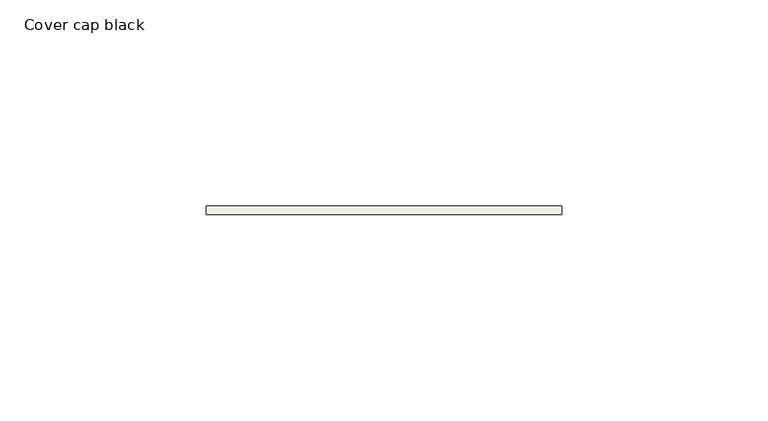
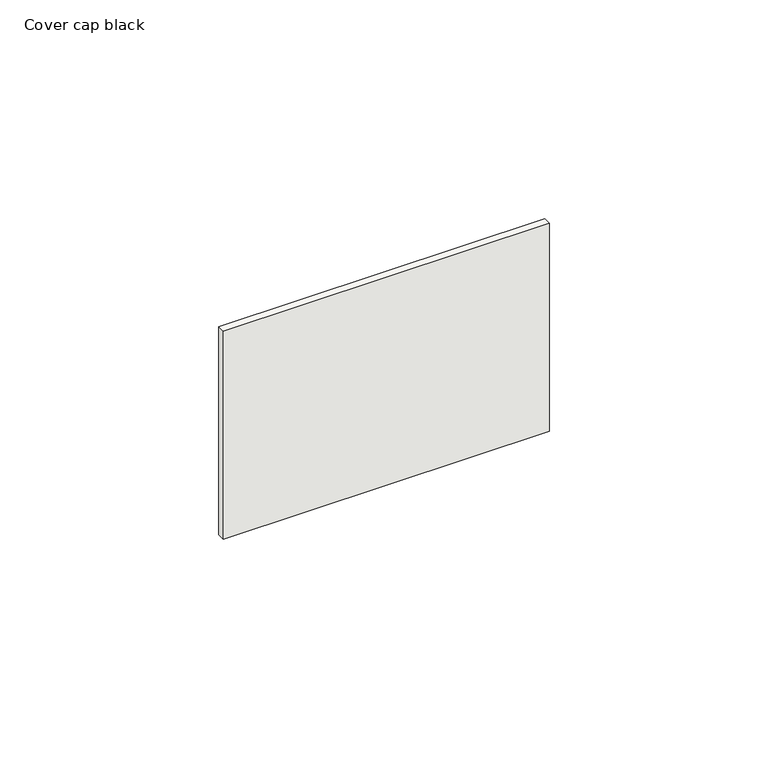
"""IFC4 building model written with IfcOpenShell, lengths in millimetres: covering geometry, Cover cap black."""

import ifcopenshell
import ifcopenshell.guid

model = None  # the IFC model being written
_history = None  # IfcOwnerHistory: only IFC2X3 demands one
_inside = {}  # id of a spatial element -> (the spatial element, [elements in it])
_under = {}  # id of a project, library or spatial element -> (it, [spatial elements below it])
_declared = {}  # id of a project -> (the project, [libraries it declares])
_typed = {}  # id of a type object -> (the type object, [elements of that type])
_made_of = {}  # id of a material, layer set ... -> (it, [elements and type objects made of it])


def new_model(schema):
    """Start an empty IFC model of exactly this schema.

    Asked for "IFC4X3", IfcOpenShell would pick the latest addendum, in which some entities
    have other attributes; the version numbers below select the first issue.
    IFC2X3 requires an IfcOwnerHistory on every rooted entity: one is made here for all.
    """
    global model, _history
    if schema == "IFC4X3":
        model = ifcopenshell.file(schema_version=(4, 3, 0, 0))
    else:
        model = ifcopenshell.file(schema=schema)
    _inside.clear()
    _under.clear()
    _declared.clear()
    _typed.clear()
    _made_of.clear()
    _history = None
    if model.schema == "IFC2X3":
        org = make("IfcOrganization", Name="unknown")
        user = make(
            "IfcPersonAndOrganization",
            ThePerson=make("IfcPerson", FamilyName="unknown"),
            TheOrganization=org,
        )
        app = make(
            "IfcApplication",
            ApplicationDeveloper=org,
            Version="unknown",
            ApplicationFullName="unknown",
            ApplicationIdentifier="unknown",
        )
        _history = make(
            "IfcOwnerHistory",
            OwningUser=user,
            OwningApplication=app,
            ChangeAction="ADDED",
            CreationDate=0,
        )
    return model


def make(cls, **values):
    """One entity of the class cls with the attributes given. An attribute that is None is left unset."""
    return model.create_entity(
        cls, **{name: value for name, value in values.items() if value is not None}
    )


def rooted(cls, **values):
    """An entity with a GlobalId (a new one), such as an element, a storey or a relation."""
    return make(cls, GlobalId=ifcopenshell.guid.new(), OwnerHistory=_history, **values)


def si_unit(unit_type, name, prefix=None):
    """IfcSIUnit, for example si_unit("LENGTHUNIT", "METRE", prefix="MILLI")."""
    return make("IfcSIUnit", UnitType=unit_type, Prefix=prefix, Name=name)


def assignment(units):
    """IfcUnitAssignment: the units of a project."""
    return None if units is None else make("IfcUnitAssignment", Units=units)


def point(xyz):
    """IfcCartesianPoint."""
    return None if xyz is None else make("IfcCartesianPoint", Coordinates=xyz)


def direction(xyz):
    """IfcDirection."""
    return None if xyz is None else make("IfcDirection", DirectionRatios=xyz)


def frame(location, z_axis=None, x_axis=None):
    """IfcAxis2Placement3D, a coordinate frame: its origin and axes. An axis left out is left unset."""
    return make(
        "IfcAxis2Placement3D",
        Location=point(location),
        Axis=direction(z_axis),
        RefDirection=direction(x_axis),
    )


def origin():
    """The frame at (0, 0, 0) with its axes left unset."""
    return frame((0.0, 0.0, 0.0))


def place(relative_to, where):
    """IfcLocalPlacement: puts the frame where relative to a parent placement (None: the world)."""
    return make(
        "IfcLocalPlacement", PlacementRelTo=relative_to, RelativePlacement=where
    )


def context(
    kind, dimensions, precision=None, world=None, true_north=None, identifier=None
):
    """IfcGeometricRepresentationContext, for example the 3D "Model" context."""
    return make(
        "IfcGeometricRepresentationContext",
        ContextIdentifier=identifier,
        ContextType=kind,
        CoordinateSpaceDimension=dimensions,
        Precision=precision,
        WorldCoordinateSystem=world,
        TrueNorth=true_north,
    )


def project(units=None, contexts=None):
    """IfcProject with its units and contexts."""
    return rooted(
        "IfcProject",
        Name="project",
        RepresentationContexts=contexts,
        UnitsInContext=assignment(units),
    )


def spatial(cls, under=None, at=None, **own):
    """A site, building, storey or space (cls), placed at a placement, below another one or the project."""
    s = rooted(cls, ObjectPlacement=at, **own)
    if under is not None:
        _under.setdefault(under.id(), (under, []))[1].append(s)
    return s


def polyline(points):
    """IfcPolyline through the points."""
    return make("IfcPolyline", Points=[point(p) for p in points])


def outline(outer, holes=None, kind="AREA"):
    """IfcArbitraryClosedProfileDef: a profile drawn as a closed curve; with holes, ...WithVoids."""
    if holes is None:
        return make("IfcArbitraryClosedProfileDef", ProfileType=kind, OuterCurve=outer)
    return make(
        "IfcArbitraryProfileDefWithVoids",
        ProfileType=kind,
        OuterCurve=outer,
        InnerCurves=holes,
    )


def extrude(swept, where, along, depth):
    """IfcExtrudedAreaSolid: the profile swept, set in the frame where, extruded along a direction by depth."""
    return make(
        "IfcExtrudedAreaSolid",
        SweptArea=swept,
        Position=where,
        ExtrudedDirection=direction(along),
        Depth=depth,
    )


def shape(context_of_items, identifier, shape_type, items):
    """IfcShapeRepresentation: the items that make up one representation, for example the "Body"."""
    return make(
        "IfcShapeRepresentation",
        ContextOfItems=context_of_items,
        RepresentationIdentifier=identifier,
        RepresentationType=shape_type,
        Items=items,
    )


def source(mapping_origin, context_of_items, identifier, shape_type, items):
    """IfcRepresentationMap: a shape defined once, which mapped items show again and again."""
    return make(
        "IfcRepresentationMap",
        MappingOrigin=mapping_origin,
        MappedRepresentation=shape(context_of_items, identifier, shape_type, items),
    )


def transform(
    local_origin,
    x_axis=None,
    y_axis=None,
    z_axis=None,
    scale=None,
    scale2=None,
    scale3=None,
    uniform=True,
):
    """IfcCartesianTransformationOperator3D, or its non-uniform kind. x_axis, y_axis, z_axis: its Axis1, 2, 3."""
    if uniform:
        return make(
            "IfcCartesianTransformationOperator3D",
            Axis1=direction(x_axis),
            Axis2=direction(y_axis),
            LocalOrigin=point(local_origin),
            Scale=scale,
            Axis3=direction(z_axis),
        )
    return make(
        "IfcCartesianTransformationOperator3DnonUniform",
        Axis1=direction(x_axis),
        Axis2=direction(y_axis),
        LocalOrigin=point(local_origin),
        Scale=scale,
        Axis3=direction(z_axis),
        Scale2=scale2,
        Scale3=scale3,
    )


def mapped(mapping_source, mapping_target):
    """IfcMappedItem: shows the shape of a source again, moved by a transform."""
    return make(
        "IfcMappedItem", MappingSource=mapping_source, MappingTarget=mapping_target
    )


def made_of(thing, what):
    """Note that an element or type object is made of a material, layer set ...; save() writes the relation."""
    if what is not None:
        _made_of.setdefault(what.id(), (what, []))[1].append(thing)
    return thing


def element(
    cls,
    number,
    at=None,
    inside=None,
    cuts=None,
    type_object=None,
    material=None,
    context=None,
    identifier="Body",
    shape_type=None,
    held_by="IfcProductDefinitionShape",
    body=None,
    shapes=None,
    **own,
):
    """One element of the class cls, such as IfcWall. Its Tag is "e" and its number.

    at: its placement. inside: the storey or other place that contains it. cuts: it is an
    opening in that element (IfcRelVoidsElement). A single representation is given by context,
    identifier, shape_type and body (its items); several are given by shapes. held_by: the class
    of the entity that holds the representations. save() writes the other relations.
    """
    e = rooted(cls, Tag="e%d" % number, ObjectPlacement=at, **own)
    if body is not None:
        shapes = [shape(context, identifier, shape_type, body)]
    if shapes is not None:
        e.Representation = make(held_by, Representations=shapes)
    if inside is not None:
        _inside.setdefault(inside.id(), (inside, []))[1].append(e)
    if cuts is not None:
        rooted(
            "IfcRelVoidsElement", RelatingBuildingElement=cuts, RelatedOpeningElement=e
        )
    if type_object is not None:
        _typed.setdefault(type_object.id(), (type_object, []))[1].append(e)
    return made_of(e, material)


def aggregate(whole, parts):
    """IfcRelAggregates: a whole, such as a stair, and the parts it consists of."""
    return rooted("IfcRelAggregates", RelatingObject=whole, RelatedObjects=parts)


def save(model, path):
    """Write the relations noted so far, then the file.

    IfcRelAggregates (storeys below a building ...), IfcRelContainedInSpatialStructure (elements
    in a storey), IfcRelDefinesByType, IfcRelAssociatesMaterial and IfcRelDeclares: one each for
    every whole, place, type object, material and project.
    """
    for whole, parts in _under.values():
        aggregate(whole, parts)
    for where, things in _inside.values():
        rooted(
            "IfcRelContainedInSpatialStructure",
            RelatedElements=things,
            RelatingStructure=where,
        )
    for kind, things in _typed.values():
        rooted("IfcRelDefinesByType", RelatedObjects=things, RelatingType=kind)
    for what, things in _made_of.values():
        rooted("IfcRelAssociatesMaterial", RelatedObjects=things, RelatingMaterial=what)
    for by, libraries in _declared.values():
        rooted("IfcRelDeclares", RelatingContext=by, RelatedDefinitions=libraries)
    model.write(path)


def cover_cap_black_e92d6a5f(model_context):
    return source(origin(), model_context, "Body", "SweptSolid", [
        extrude(outline(polyline([(43.0, 0.0), (43.0, -2.0), (-43.0, -2.0), (-43.0, 0.0), (43.0, 0.0)])), frame((0.0, 0.0, 16.5), z_axis=(0.0, 0.0, 1.0), x_axis=(1.0, 0.0, 0.0)), (0.0, 0.0, 1.0), 58.0),
    ])


if __name__ == "__main__":
    model = new_model("IFC4")
    model_context = context("Model", 3, world=origin())
    ifc_project = project(units=[si_unit("LENGTHUNIT", "METRE", prefix="MILLI")], contexts=[model_context])
    site = spatial("IfcSite", under=ifc_project)
    building = spatial("IfcBuilding", under=site)
    placement = place(None, origin())
    cover_cap_black_shape = cover_cap_black_e92d6a5f(model_context)
    element("IfcCovering", 1, ObjectType="Cover cap black", at=placement, inside=building, context=model_context, shape_type="MappedRepresentation", body=[
        mapped(cover_cap_black_shape, transform((0.0, 0.0, 0.0), x_axis=(1.0, 0.0, 0.0), y_axis=(0.0, 1.0, 0.0), z_axis=(0.0, 0.0, 1.0))),
    ])
    save(model, "model.ifc")
